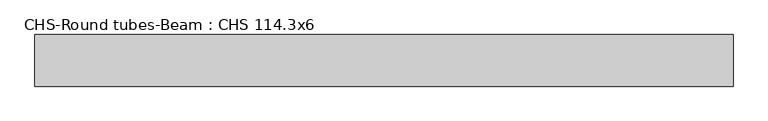
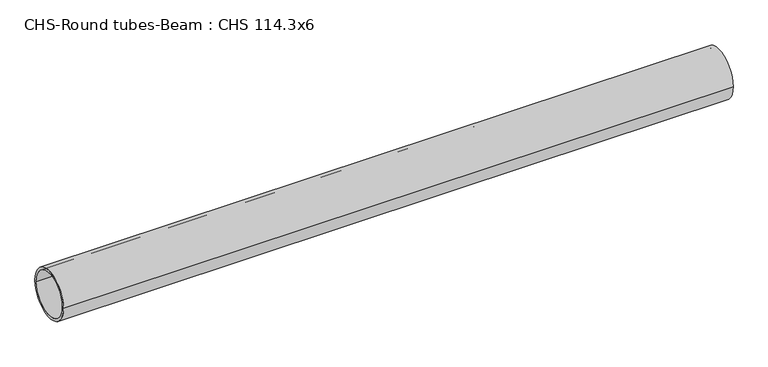
"""IFC4 building model written with IfcOpenShell, lengths in millimetres: beam geometry, CHS-Round tubes-Beam : CHS 114.3x6."""

from ifc_helpers import new_model, si_unit, point, frame, origin, origin_2d, place, context, project, spatial, circle_curve, trimmed, segment, composite_curve, outline, extrude, source, transform, mapped, element, save


def chs_round_tubes_beam_chs_114_3x6_1acad9d5(model_context):
    return source(origin(), model_context, "Body", "SweptSolid", [
        extrude(outline(composite_curve([segment(trimmed(circle_curve(origin_2d(), 57.15), [point((57.15, 0.0))], [point((-57.15, 0.0))], False, "CARTESIAN"), True, "CONTINUOUS"), segment(trimmed(circle_curve(origin_2d(), 57.15), [point((-57.15, 0.0))], [point((57.15, 0.0))], False, "CARTESIAN"), True, "CONTINUOUS")], self_intersect=False), holes=[composite_curve([segment(trimmed(circle_curve(origin_2d(), 51.15), [point((51.15, 0.0))], [point((-51.15, 0.0))], True, "CARTESIAN"), True, "CONTINUOUS"), segment(trimmed(circle_curve(origin_2d(), 51.15), [point((-51.15, 0.0))], [point((51.15, 0.0))], True, "CARTESIAN"), True, "CONTINUOUS")], self_intersect=False)]), frame((-785.7846347, 0.0, 0.0), z_axis=(1.0, 0.0, 0.0), x_axis=(0.0, 1.0, 0.0)), (0.0, 0.0, 1.0), 1546.3609038),
    ])


if __name__ == "__main__":
    model = new_model("IFC4")
    model_context = context("Model", 3, world=origin())
    ifc_project = project(units=[si_unit("LENGTHUNIT", "METRE", prefix="MILLI")], contexts=[model_context])
    site = spatial("IfcSite", under=ifc_project)
    building = spatial("IfcBuilding", under=site)
    placement = place(None, origin())
    chs_round_tubes_beam_chs_114_3x6_shape = chs_round_tubes_beam_chs_114_3x6_1acad9d5(model_context)
    element("IfcBeam", 1, ObjectType="CHS-Round tubes-Beam : CHS 114.3x6", at=placement, inside=building, context=model_context, shape_type="MappedRepresentation", body=[
        mapped(chs_round_tubes_beam_chs_114_3x6_shape, transform((0.0, 0.0, 0.0), x_axis=(1.0, 0.0, 0.0), y_axis=(0.0, 1.0, 0.0), z_axis=(0.0, 0.0, 1.0))),
    ])
    save(model, "model.ifc")
